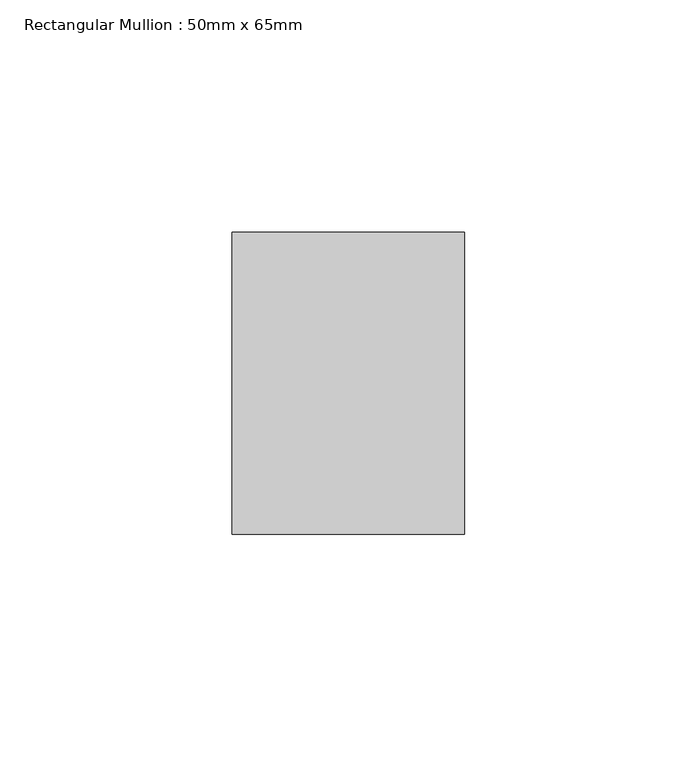
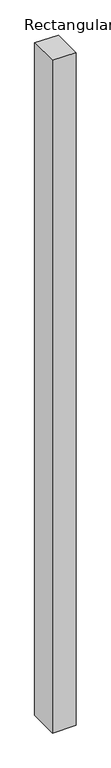
"""IFC4 building model written with IfcOpenShell, lengths in millimetres: member geometry, Rectangular Mullion : 50mm x 65mm."""

from ifc_helpers import new_model, si_unit, frame, origin, place, context, project, spatial, polyline, outline, extrude, source, transform, mapped, element, save


def rectangular_mullion_50mm_x_65mm_ac0ff644(model_context):
    return source(origin(), model_context, "Body", "SweptSolid", [
        extrude(outline(polyline([(-32.5, 0.2027377), (32.5, -0.2027376), (32.5, -1499.892514), (-32.5, -1500.1071741), (-32.5, 0.2027377)])), frame((-25.0, 0.0, 0.0), z_axis=(1.0, 0.0, 0.0), x_axis=(0.0, 1.0, 0.0)), (0.0, 0.0, 1.0), 50.0),
    ])


if __name__ == "__main__":
    model = new_model("IFC4")
    model_context = context("Model", 3, world=origin())
    ifc_project = project(units=[si_unit("LENGTHUNIT", "METRE", prefix="MILLI")], contexts=[model_context])
    site = spatial("IfcSite", under=ifc_project)
    building = spatial("IfcBuilding", under=site)
    placement = place(None, origin())
    rectangular_mullion_50mm_x_65mm_shape = rectangular_mullion_50mm_x_65mm_ac0ff644(model_context)
    element("IfcMember", 1, ObjectType="Rectangular Mullion : 50mm x 65mm", at=placement, inside=building, context=model_context, shape_type="MappedRepresentation", body=[
        mapped(rectangular_mullion_50mm_x_65mm_shape, transform((0.0, 0.0, 0.0), x_axis=(1.0, 0.0, 0.0), y_axis=(0.0, 1.0, 0.0), z_axis=(0.0, 0.0, 1.0))),
    ])
    save(model, "model.ifc")
